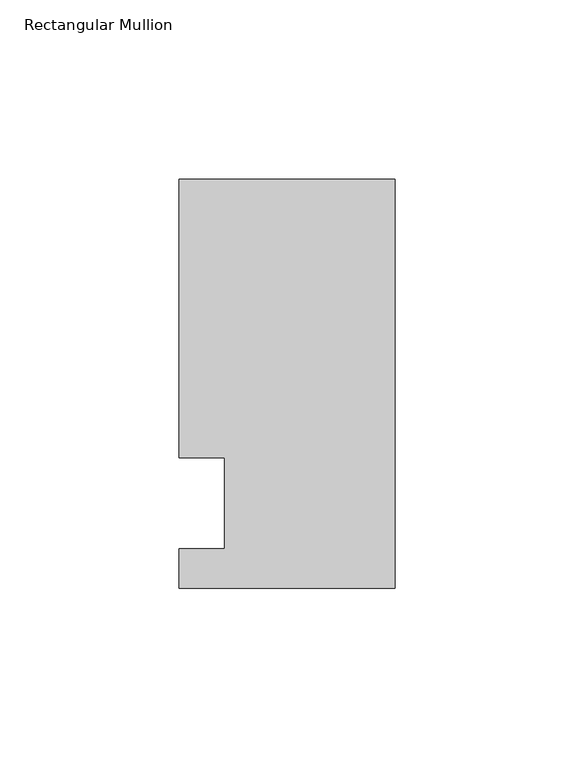
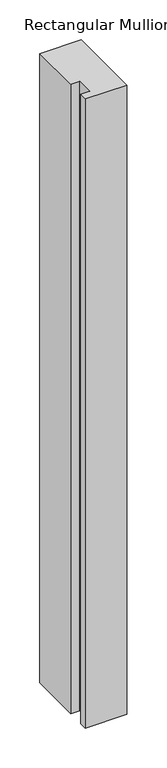
"""IFC4 building model written with IfcOpenShell, lengths in millimetres: member geometry, Rectangular Mullion."""

from ifc_helpers import new_model, si_unit, frame, origin, place, context, project, spatial, polyline, outline, extrude, source, transform, mapped, element, save


def rectangular_mullion_ae7ae231(model_context):
    return source(origin(), model_context, "Body", "SweptSolid", [
        extrude(outline(polyline([(-60.325, 90.4875), (0.0, 90.4875), (0.0, -23.8125), (-60.325, -23.8125), (-60.325, -12.7), (-47.6232296, -12.7), (-47.6232296, 12.7), (-60.325, 12.7), (-60.325, 90.4875)])), frame((0.0, 0.0, -965.2), z_axis=(0.0, 0.0, 1.0), x_axis=(1.0, 0.0, 0.0)), (0.0, 0.0, 1.0), 965.2),
    ])


if __name__ == "__main__":
    model = new_model("IFC4")
    model_context = context("Model", 3, world=origin())
    ifc_project = project(units=[si_unit("LENGTHUNIT", "METRE", prefix="MILLI")], contexts=[model_context])
    site = spatial("IfcSite", under=ifc_project)
    building = spatial("IfcBuilding", under=site)
    placement = place(None, origin())
    rectangular_mullion_shape = rectangular_mullion_ae7ae231(model_context)
    element("IfcMember", 1, ObjectType="Rectangular Mullion", at=placement, inside=building, context=model_context, shape_type="MappedRepresentation", body=[
        mapped(rectangular_mullion_shape, transform((0.0, 0.0, 0.0), x_axis=(1.0, 0.0, 0.0), y_axis=(0.0, 1.0, 0.0), z_axis=(0.0, 0.0, 1.0))),
    ])
    save(model, "model.ifc")
